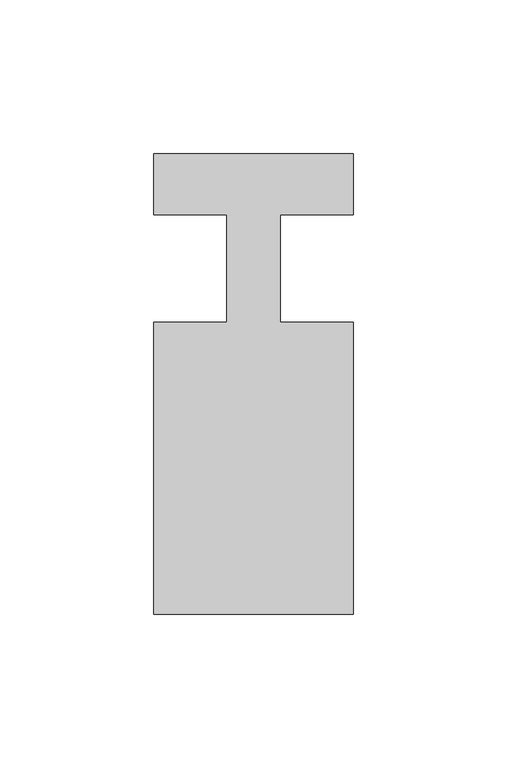
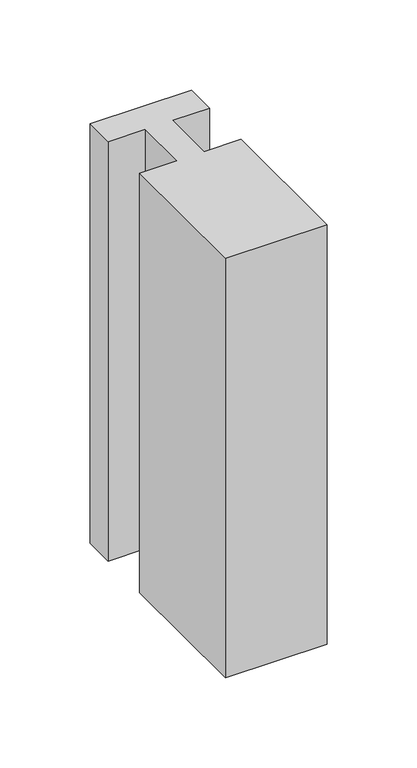
"""IFC4 building model written with IfcOpenShell, lengths in millimetres: member geometry."""

from ifc_helpers import new_model, si_unit, frame, origin, place, context, project, spatial, polyline, outline, extrude, source, transform, mapped, element, save


def member_34e51bda(model_context):
    return source(origin(), model_context, "Body", "SweptSolid", [
        extrude(outline(polyline([(0.0, 37.0), (0.0, 17.0), (-23.8125, 17.0), (-23.8125, -18.0), (0.0, -18.0), (0.0, -113.0), (-65.0, -113.0), (-65.0, -18.0), (-41.1875, -18.0), (-41.1875, 17.0), (-65.0, 17.0), (-65.0, 37.0), (0.0, 37.0)])), frame((0.0, 0.0, -283.9130435), z_axis=(0.0, 0.0, 1.0), x_axis=(1.0, 0.0, 0.0)), (0.0, 0.0, 1.0), 283.9130435),
    ])


if __name__ == "__main__":
    model = new_model("IFC4")
    model_context = context("Model", 3, world=origin())
    ifc_project = project(units=[si_unit("LENGTHUNIT", "METRE", prefix="MILLI")], contexts=[model_context])
    site = spatial("IfcSite", under=ifc_project)
    building = spatial("IfcBuilding", under=site)
    placement = place(None, origin())
    member_shape = member_34e51bda(model_context)
    element("IfcMember", 1, at=placement, inside=building, context=model_context, shape_type="MappedRepresentation", body=[
        mapped(member_shape, transform((0.0, 0.0, 0.0), x_axis=(1.0, 0.0, 0.0), y_axis=(0.0, 1.0, 0.0), z_axis=(0.0, 0.0, 1.0))),
    ])
    save(model, "model.ifc")
